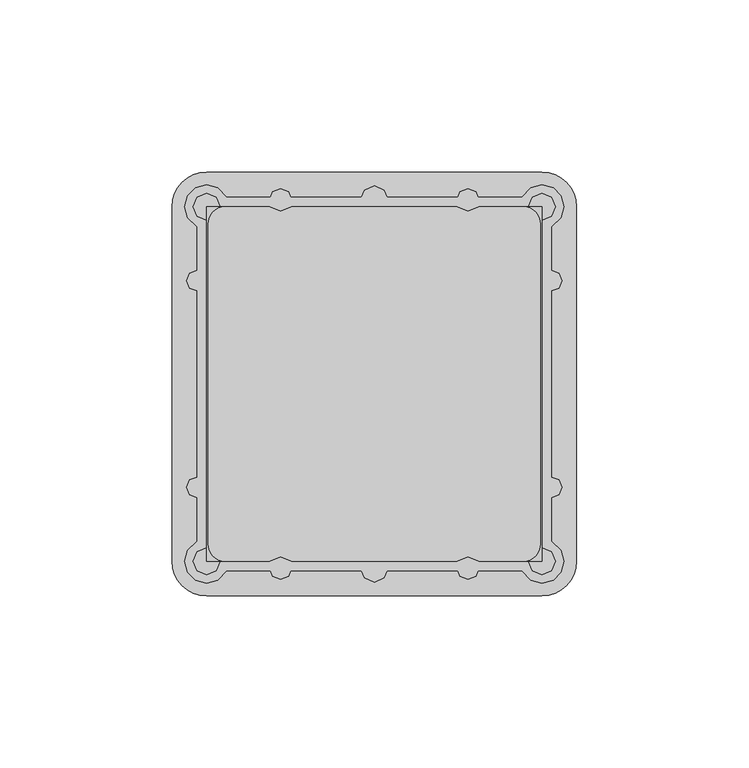
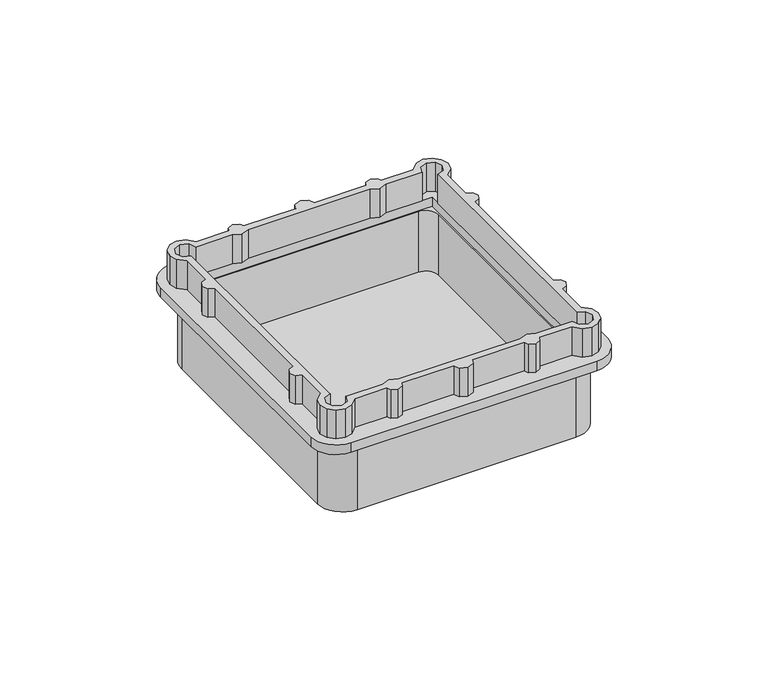
"""IFC4 building model written with IfcOpenShell, lengths in millimetres: proxy geometry."""

from ifc_helpers import new_model, si_unit, point, frame, frame_2d, origin, place, context, project, spatial, polyline, circle_curve, trimmed, segment, composite_curve, outline, extrude, source, transform, mapped, element, save


def electrical_fixtures_73b20aad(model_context):
    return source(origin(), model_context, "Body", "SweptSolid", [
        extrude(outline(composite_curve([segment(polyline([(-48.283274, -46.5000069), (-48.283274, 46.5000289)]), True, "CONTINUOUS"), segment(trimmed(circle_curve(frame_2d((-43.2832809, 46.5000289)), 4.9999931), [point((-48.283274, 46.5000289))], [point((-43.2981333, 51.5))], False, "CARTESIAN"), True, "CONTINUOUS"), segment(polyline([(-43.2981333, 51.5), (43.2981333, 51.5)]), True, "CONTINUOUS"), segment(trimmed(circle_curve(frame_2d((43.2832809, 46.5000289)), 4.9999931), [point((43.2981333, 51.5))], [point((48.283274, 46.5000289))], False, "CARTESIAN"), True, "CONTINUOUS"), segment(polyline([(48.283274, 46.5000289), (48.283274, -46.5000069)]), True, "CONTINUOUS"), segment(trimmed(circle_curve(frame_2d((43.2832809, -46.5000069)), 4.9999931), [point((48.283274, -46.5000069))], [point((43.2832809, -51.5))], False, "CARTESIAN"), True, "CONTINUOUS"), segment(polyline([(43.2832809, -51.5), (-43.2832809, -51.5)]), True, "CONTINUOUS"), segment(trimmed(circle_curve(frame_2d((-43.2832809, -46.5000069)), 4.9999931), [point((-43.2832809, -51.5))], [point((-48.283274, -46.5000069))], False, "CARTESIAN"), True, "CONTINUOUS")], self_intersect=False)), frame((0.0, 0.0, -45.0), z_axis=(0.0, 0.0, 1.0), x_axis=(1.0, 0.0, 0.0)), (0.0, 0.0, 1.0), 3.601089),
        extrude(outline(composite_curve([segment(trimmed(circle_curve(frame_2d((43.2832809, 46.5000069)), 9.9999931), [point((43.2832809, 56.5))], [point((53.283274, 46.5000069))], False, "CARTESIAN"), True, "CONTINUOUS"), segment(polyline([(53.283274, 46.5000069), (53.283274, -46.5000069)]), True, "CONTINUOUS"), segment(trimmed(circle_curve(frame_2d((43.2832809, -46.5000069)), 9.9999931), [point((53.283274, -46.5000069))], [point((43.2832809, -56.5))], False, "CARTESIAN"), True, "CONTINUOUS"), segment(polyline([(43.2832809, -56.5), (-43.2832743, -56.5)]), True, "CONTINUOUS"), segment(trimmed(circle_curve(frame_2d((-43.2832743, -46.5000003)), 9.9999997), [point((-43.2832743, -56.5))], [point((-53.283274, -46.5000003))], False, "CARTESIAN"), True, "CONTINUOUS"), segment(polyline([(-53.283274, -46.5000003), (-53.283274, 46.5000223)]), True, "CONTINUOUS"), segment(trimmed(circle_curve(frame_2d((-43.2832964, 46.5000223)), 9.9999777), [point((-53.283274, 46.5000223))], [point((-43.2832964, 56.5))], False, "CARTESIAN"), True, "CONTINUOUS"), segment(polyline([(-43.2832964, 56.5), (43.2832809, 56.5)]), True, "CONTINUOUS")], self_intersect=False), holes=[composite_curve([segment(trimmed(circle_curve(frame_2d((-43.2832809, -46.5000069)), 4.9999931), [point((-48.283274, -46.5000069))], [point((-43.2832809, -51.5))], True, "CARTESIAN"), True, "CONTINUOUS"), segment(polyline([(-43.2832809, -51.5), (43.2832809, -51.5)]), True, "CONTINUOUS"), segment(trimmed(circle_curve(frame_2d((43.2832809, -46.5000069)), 4.9999931), [point((43.2832809, -51.5))], [point((48.283274, -46.5000069))], True, "CARTESIAN"), True, "CONTINUOUS"), segment(polyline([(48.283274, -46.5000069), (48.283274, 46.5000289)]), True, "CONTINUOUS"), segment(trimmed(circle_curve(frame_2d((43.2832809, 46.5000289)), 4.9999931), [point((48.283274, 46.5000289))], [point((43.2981333, 51.5))], True, "CARTESIAN"), True, "CONTINUOUS"), segment(polyline([(43.2981333, 51.5), (-43.2981333, 51.5)]), True, "CONTINUOUS"), segment(trimmed(circle_curve(frame_2d((-43.2832809, 46.5000289)), 4.9999931), [point((-43.2981333, 51.5))], [point((-48.283274, 46.5000289))], True, "CARTESIAN"), True, "CONTINUOUS"), segment(polyline([(-48.283274, 46.5000289), (-48.283274, -46.5000069)]), True, "CONTINUOUS")], self_intersect=False)]), frame((0.0, 0.0, -45.0), z_axis=(0.0, 0.0, 1.0), x_axis=(1.0, 0.0, 0.0)), (0.0, 0.0, 1.0), 28.976671),
        extrude(outline(polyline([(-48.7500052, 57.8936162), (-45.5758318, 56.9978462), (-42.9525392, 54.1801319), (-30.1782148, 54.1801301), (-29.5374906, 55.7874766), (-27.2500018, 56.749998), (-24.9625136, 55.7874771), (-24.3217902, 54.1801311), (-3.7182664, 54.1801311), (-2.8284123, 56.3284367), (0.0, 57.4997376), (2.83078, 56.3271944), (3.7199209, 54.1801311), (24.3217902, 54.1801311), (24.9625136, 55.7874771), (27.2500018, 56.749998), (29.5374906, 55.7874766), (30.1782148, 54.1801301), (42.9525392, 54.1801319), (45.5758318, 56.9978462), (48.7500052, 57.8936162), (51.9733508, 57.018082), (54.28584, 54.6579214), (55.1435996, 51.5000139), (54.2478346, 48.325815), (51.4303616, 45.7027567), (51.4400627, 32.971715), (53.6083574, 32.158372), (54.5351053, 30.0000119), (53.6083524, 27.8416456), (51.4400673, 27.0283155), (51.4400673, -27.0282934), (53.6083524, -27.8416236), (54.5351053, -29.9999898), (53.6083574, -32.15835), (51.4400627, -32.9716929), (51.4303616, -45.7027346), (54.2478346, -48.325793), (55.1435996, -51.4999919), (54.28584, -54.6578993), (51.9733508, -57.0180599), (48.7500052, -57.8935941), (45.5758318, -56.9978241), (42.9525392, -54.1801098), (30.1782148, -54.180108), (29.5374906, -55.7874545), (27.2500018, -56.7499759), (24.9625136, -55.787455), (24.3217902, -54.180109), (3.7199209, -54.180109), (2.83078, -56.3271723), (0.0, -57.4997155), (-2.8284123, -56.3284147), (-3.7182664, -54.180109), (-24.3217902, -54.180109), (-24.9625136, -55.787455), (-27.2500018, -56.7499759), (-29.5374906, -55.7874545), (-30.1782148, -54.180108), (-42.9525392, -54.1801098), (-45.5758318, -56.9978241), (-48.7500052, -57.8935941), (-51.9733508, -57.0180599), (-54.28584, -54.6578993), (-55.1435996, -51.4999919), (-54.2478346, -48.325793), (-51.4303616, -45.7027346), (-51.4400627, -32.9716929), (-53.6083574, -32.15835), (-54.5351053, -29.9999898), (-53.6083524, -27.8416236), (-51.4400673, -27.0282934), (-51.4400673, 27.0283155), (-53.6083524, 27.8416456), (-54.5351053, 30.0000119), (-53.6083574, 32.158372), (-51.4400627, 32.971715), (-51.4303616, 45.7027567), (-54.2478346, 48.325815), (-55.1435996, 51.5000139), (-54.28584, 54.6579214), (-51.9733508, 57.018082), (-48.7500052, 57.8936162)]), holes=[polyline([(-48.7500235, 55.4225294), (-51.5236711, 54.2736485), (-52.6725491, 51.5000037), (-51.5236716, 48.7263753), (-48.7500026, 47.5774817), (-48.7500026, -47.5774596), (-51.5236716, -48.7263532), (-52.6725491, -51.4999817), (-51.5236711, -54.2736264), (-48.7500235, -55.4225073), (-45.9763771, -54.2736265), (-44.827496, -51.4999737), (-30.4153056, -51.4999737), (-27.2499961, -50.1888618), (-24.0898655, -51.4999737), (24.0898654, -51.4999737), (27.2499961, -50.1888618), (30.4153056, -51.4999737), (44.827496, -51.4999737), (45.9763771, -54.2736265), (48.7500235, -55.4225073), (51.5236711, -54.2736264), (52.6725491, -51.4999817), (51.5236716, -48.7263532), (48.7500039, -47.5774601), (48.7500026, 47.5774817), (51.5236716, 48.7263753), (52.6725491, 51.5000037), (51.5236711, 54.2736485), (48.7500235, 55.4225294), (45.9763771, 54.2736486), (44.827496, 51.4999958), (30.4153588, 51.4999958), (27.2499961, 50.1888618), (24.0898122, 51.4999958), (-24.0898123, 51.4999958), (-27.2499961, 50.1888618), (-30.4153588, 51.4999958), (-44.827496, 51.4999958), (-45.9763771, 54.2736486), (-48.7500235, 55.4225294)])]), frame((0.0, 0.0, -12.0000015), z_axis=(0.0, 0.0, 1.0), x_axis=(1.0, 0.0, 0.0)), (0.0, 0.0, 1.0), 12.0000015),
        extrude(outline(composite_curve([segment(trimmed(circle_curve(frame_2d((48.7500069, 51.5000069)), 9.9999931), [point((48.7500069, 61.5))], [point((58.75, 51.5000069))], False, "CARTESIAN"), True, "CONTINUOUS"), segment(polyline([(58.75, 51.5000069), (58.75, -51.5000069)]), True, "CONTINUOUS"), segment(trimmed(circle_curve(frame_2d((48.7500069, -51.5000069)), 9.9999931), [point((58.75, -51.5000069))], [point((48.7500069, -61.5))], False, "CARTESIAN"), True, "CONTINUOUS"), segment(polyline([(48.7500069, -61.5), (-48.7500003, -61.5)]), True, "CONTINUOUS"), segment(trimmed(circle_curve(frame_2d((-48.7500003, -51.5000003)), 9.9999997), [point((-48.7500003, -61.5))], [point((-58.75, -51.5000003))], False, "CARTESIAN"), True, "CONTINUOUS"), segment(polyline([(-58.75, -51.5000003), (-58.75, 51.5000223)]), True, "CONTINUOUS"), segment(trimmed(circle_curve(frame_2d((-48.7500223, 51.5000223)), 9.9999777), [point((-58.75, 51.5000223))], [point((-48.7500223, 61.5))], False, "CARTESIAN"), True, "CONTINUOUS"), segment(polyline([(-48.7500223, 61.5), (48.7500069, 61.5)]), True, "CONTINUOUS")], self_intersect=False), holes=[polyline([(-48.7500026, 51.4999958), (-48.7500026, -51.4999737), (48.750004, -51.4999737), (48.7500026, 51.4999958), (-48.7500026, 51.4999958)])]), frame((0.0, 0.0, -16.023329), z_axis=(0.0, 0.0, 1.0), x_axis=(1.0, 0.0, 0.0)), (0.0, 0.0, 1.0), 4.0233275),
    ])


if __name__ == "__main__":
    model = new_model("IFC4")
    model_context = context("Model", 3, world=origin())
    ifc_project = project(units=[si_unit("LENGTHUNIT", "METRE", prefix="MILLI")], contexts=[model_context])
    site = spatial("IfcSite", under=ifc_project)
    building = spatial("IfcBuilding", under=site)
    placement = place(None, origin())
    electrical_fixtures_shape = electrical_fixtures_73b20aad(model_context)
    element("IfcBuildingElementProxy", 1, Name="Electrical Fixtures", at=placement, inside=building, context=model_context, shape_type="MappedRepresentation", body=[
        mapped(electrical_fixtures_shape, transform((0.0, 0.0, 0.0), x_axis=(1.0, 0.0, 0.0), y_axis=(0.0, 1.0, 0.0), z_axis=(0.0, 0.0, 1.0))),
    ])
    save(model, "model.ifc")
